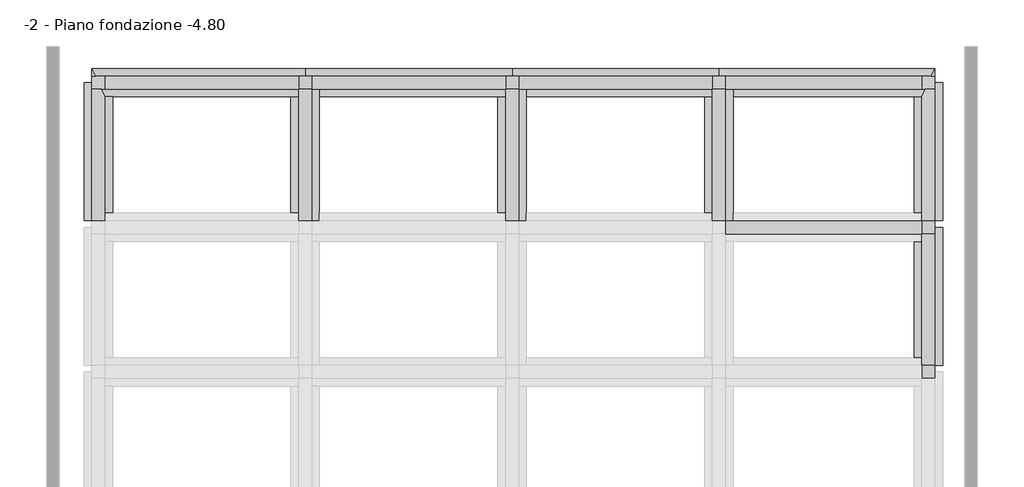
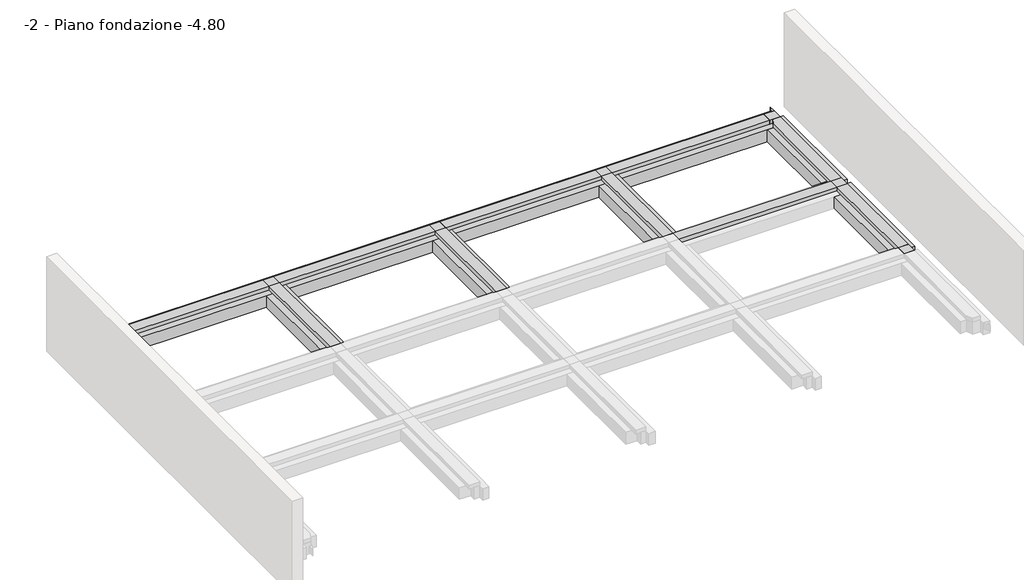
# One storey, part 3 of 3: 21 beams, 7 columns.
"""IFC4 building model written with IfcOpenShell, lengths in millimetres."""

from ifc_helpers import new_model, si_unit, frame, origin, place, context, project, spatial, polyline, outline, extrude, faceted_brep, element, save

model = new_model("IFC4")

# Units and contexts
model_context = context("Model", 3, world=origin())
ifc_project = project(units=[si_unit("LENGTHUNIT", "METRE", prefix="MILLI")], contexts=[model_context])

# Site, building, storey
site = spatial("IfcSite", under=ifc_project)
building = spatial("IfcBuilding", under=site)
storey = spatial("IfcBuildingStorey", under=building, Name="-2 - Piano fondazione -4.80", Elevation=-4800.0)

# Beams
placement = place(None, origin())
element("IfcBeam", 1, ObjectType="3M - Trave in cls - Rettangolare : 3M 1100 x600mm 2", at=placement, inside=storey, context=model_context, shape_type="Brep", body=[
    faceted_brep([(-12706.7371142, 5740.094284, -4100.0), (-20956.7371141, 5740.094284, -4100.0), (-20820.3734778, 5440.094284, -4100.0), (-20456.7371141, 5440.094284, -4100.0), (-20456.7371141, 4940.094284, -4100.0), (-20593.1007505, 4940.094284, -4100.0), (-20456.7371141, 4640.094284, -4100.0), (-20156.7371141, 4640.094284, -4100.0), (-13256.7371142, 4640.094284, -4100.0), (-12706.7371142, 4640.094284, -4100.0), (-12706.7371142, 4940.094284, -4100.0), (-12956.7371142, 4940.094284, -4100.0), (-12956.7371142, 5440.094284, -4100.0), (-12706.7371142, 5440.094284, -4100.0), (-20456.7371141, 4640.094284, -4700.0), (-20156.7371141, 4640.094284, -4700.0), (-13256.7371142, 4640.094284, -4700.0), (-12706.7371142, 4640.094284, -4700.0), (-20593.1007505, 4940.094284, -4700.0), (-20456.7371141, 4940.094284, -4700.0), (-20456.7371141, 5440.094284, -4700.0), (-20820.3734778, 5440.094284, -4700.0), (-20956.7371141, 5740.094284, -4700.0), (-12706.7371142, 5740.094284, -4700.0), (-12706.7371142, 5440.094284, -4700.0), (-12956.7371142, 5440.094284, -4700.0), (-12956.7371142, 4940.094284, -4700.0), (-12706.7371142, 4940.094284, -4700.0), (-20820.3734778, 5440.094284, -4200.0)], [[[0, 1, 2, 3, 4, 5, 6, 7, 8, 9, 10, 11, 12, 13]], [[9, 8, 7, 6, 14, 15, 16, 17]], [[17, 16, 15, 14, 18, 19, 20, 21, 22, 23, 24, 25, 26, 27]], [[1, 0, 23, 22]], [[19, 4, 3, 20]], [[4, 19, 18, 5]], [[20, 3, 2, 28, 21]], [[26, 11, 10, 27]], [[11, 26, 25, 12]], [[12, 25, 24, 13]], [[1, 22, 21, 28, 2]], [[23, 0, 13, 24]], [[14, 6, 5, 18]], [[9, 17, 27, 10]]]),
])
element("IfcBeam", 2, ObjectType="3M - Trave in cls - Rettangolare : 3M 1100 x600mm 2", at=placement, inside=storey, context=model_context, shape_type="Brep", body=[
    faceted_brep([(-4706.7371142, 5740.094284, -4100.0), (-12706.7371142, 5740.094284, -4100.0), (-12706.7371142, 5440.094284, -4100.0), (-12456.7371142, 5440.094284, -4100.0), (-12456.7371142, 5190.094284, -4100.0), (-12156.7371142, 5190.094284, -4100.0), (-12156.7371142, 4640.094284, -4100.0), (-5256.7371142, 4640.094284, -4100.0), (-4706.7371142, 4640.094284, -4100.0), (-4706.7371142, 4940.094284, -4100.0), (-4956.7371142, 4940.094284, -4100.0), (-4956.7371142, 5440.094284, -4100.0), (-4706.7371142, 5440.094284, -4100.0), (-4706.7371142, 4640.094284, -4700.0), (-12156.7371142, 4640.094284, -4700.0), (-5256.7371142, 4640.094284, -4700.0), (-12706.7371142, 5740.094284, -4700.0), (-4706.7371142, 5740.094284, -4700.0), (-4706.7371142, 5440.094284, -4700.0), (-4956.7371142, 5440.094284, -4700.0), (-4956.7371142, 4940.094284, -4700.0), (-4706.7371142, 4940.094284, -4700.0), (-12156.7371142, 5190.094284, -4700.0), (-12456.7371142, 5190.094284, -4700.0), (-12456.7371142, 5440.094284, -4700.0), (-12706.7371142, 5440.094284, -4700.0)], [[[0, 1, 2, 3, 4, 5, 6, 7, 8, 9, 10, 11, 12]], [[13, 8, 7, 6, 14, 15]], [[16, 17, 18, 19, 20, 21, 13, 15, 14, 22, 23, 24, 25]], [[1, 0, 17, 16]], [[5, 22, 14, 6]], [[20, 10, 9, 21]], [[10, 20, 19, 11]], [[11, 19, 18, 12]], [[1, 16, 25, 2]], [[17, 0, 12, 18]], [[22, 5, 4, 23]], [[8, 13, 21, 9]], [[3, 24, 23, 4]], [[24, 3, 2, 25]]]),
])
element("IfcBeam", 3, ObjectType="3M - Trave in cls - Rettangolare : 3M 1100 x600mm 2", at=placement, inside=storey, context=model_context, shape_type="Brep", body=[
    faceted_brep([(3293.2628858, 5740.094284, -4100.0), (-4706.7371142, 5740.094284, -4100.0), (-4706.7371142, 5440.094284, -4100.0), (-4456.7371142, 5440.094284, -4100.0), (-4456.7371142, 5190.094284, -4100.0), (-4156.7371142, 5190.094284, -4100.0), (-4156.7371142, 4640.094284, -4100.0), (2743.2628858, 4640.094284, -4100.0), (3293.2628858, 4640.094284, -4100.0), (3293.2628858, 4940.094284, -4100.0), (3043.2628858, 4940.094284, -4100.0), (3043.2628858, 5440.094284, -4100.0), (3293.2628858, 5440.094284, -4100.0), (3293.2628858, 4640.094284, -4700.0), (-4156.7371142, 4640.094284, -4700.0), (2743.2628858, 4640.094284, -4700.0), (-4706.7371142, 5740.094284, -4700.0), (3293.2628858, 5740.094284, -4700.0), (3293.2628858, 5440.094284, -4700.0), (3043.2628858, 5440.094284, -4700.0), (3043.2628858, 4940.094284, -4700.0), (3293.2628858, 4940.094284, -4700.0), (-4156.7371142, 5190.094284, -4700.0), (-4456.7371142, 5190.094284, -4700.0), (-4456.7371142, 5440.094284, -4700.0), (-4706.7371142, 5440.094284, -4700.0)], [[[0, 1, 2, 3, 4, 5, 6, 7, 8, 9, 10, 11, 12]], [[13, 8, 7, 6, 14, 15]], [[16, 17, 18, 19, 20, 21, 13, 15, 14, 22, 23, 24, 25]], [[1, 0, 17, 16]], [[5, 22, 14, 6]], [[20, 10, 9, 21]], [[10, 20, 19, 11]], [[11, 19, 18, 12]], [[1, 16, 25, 2]], [[17, 0, 12, 18]], [[22, 5, 4, 23]], [[8, 13, 21, 9]], [[3, 24, 23, 4]], [[24, 3, 2, 25]]]),
])
element("IfcBeam", 4, ObjectType="3M - Trave in cls - Rettangolare : 3M 1100 x600mm 2", at=placement, inside=storey, context=model_context, shape_type="Brep", body=[
    faceted_brep([(11643.2628858, 5740.094284, -4100.0), (3293.2628858, 5740.094284, -4100.0), (3293.2628858, 5440.094284, -4100.0), (3543.2628858, 5440.094284, -4100.0), (3543.2628858, 5190.094284, -4100.0), (3843.2628858, 5190.094284, -4100.0), (3843.2628858, 4640.094284, -4100.0), (10843.2628858, 4640.094284, -4100.0), (11143.2628858, 4640.094284, -4100.0), (11279.6265222, 4940.094284, -4100.0), (11143.2628858, 4940.094284, -4100.0), (11143.2628858, 5440.094284, -4100.0), (11506.8992495, 5440.094284, -4100.0), (11143.2628858, 4640.094284, -4700.0), (3843.2628858, 4640.094284, -4700.0), (10843.2628858, 4640.094284, -4700.0), (3293.2628858, 5740.094284, -4700.0), (11643.2628858, 5740.094284, -4700.0), (11506.8992495, 5440.094284, -4700.0), (11143.2628858, 5440.094284, -4700.0), (11143.2628858, 4940.094284, -4700.0), (11279.6265222, 4940.094284, -4700.0), (3843.2628858, 5190.094284, -4700.0), (3543.2628858, 5190.094284, -4700.0), (3543.2628858, 5440.094284, -4700.0), (3293.2628858, 5440.094284, -4700.0), (11506.8992495, 5440.094284, -4200.0)], [[[0, 1, 2, 3, 4, 5, 6, 7, 8, 9, 10, 11, 12]], [[13, 8, 7, 6, 14, 15]], [[16, 17, 18, 19, 20, 21, 13, 15, 14, 22, 23, 24, 25]], [[1, 0, 17, 16]], [[5, 22, 14, 6]], [[20, 10, 9, 21]], [[10, 20, 19, 11]], [[11, 19, 18, 26, 12]], [[1, 16, 25, 2]], [[8, 13, 21, 9]], [[22, 5, 4, 23]], [[17, 0, 12, 26, 18]], [[3, 24, 23, 4]], [[24, 3, 2, 25]]]),
])
element("IfcBeam", 5, ObjectType="3M - Trave in cls - Rettangolare : 3M 1100 x600mm 2", at=placement, inside=storey, context=model_context, shape_type="Brep", body=[
    faceted_brep([(-21256.7371141, -147.205716, -4100.0), (-21256.7371141, -147.205716, -4700.0), (-20706.7371141, -147.205716, -4700.0), (-20706.7371141, -147.205716, -4200.0), (-20706.7371141, -147.205716, -4100.0), (-20956.7371141, -147.205716, -4100.0), (-21256.7371141, 5190.094284, -4100.0), (-20706.7371141, 140.094284, -4100.0), (-20156.7371141, 140.094284, -4100.0), (-20156.7371141, 4640.094284, -4100.0), (-20456.7371141, 4640.094284, -4100.0), (-20593.1007505, 4940.094284, -4100.0), (-20956.7371141, 4940.094284, -4100.0), (-20956.7371141, 5190.094284, -4100.0), (-21256.7371141, 5190.094284, -4700.0), (-20956.7371141, 5190.094284, -4700.0), (-20956.7371141, 4940.094284, -4700.0), (-20593.1007505, 4940.094284, -4700.0), (-20456.7371141, 4640.094284, -4700.0), (-20156.7371141, 4640.094284, -4700.0), (-20156.7371141, 140.094284, -4700.0), (-20706.7371141, 140.094284, -4700.0)], [[[0, 1, 2, 3, 4, 5]], [[6, 0, 5, 4, 7, 8, 9, 10, 11, 12, 13]], [[1, 0, 6, 14]], [[1, 14, 15, 16, 17, 18, 19, 20, 21, 2]], [[19, 9, 8, 20]], [[10, 9, 19, 18]], [[8, 7, 21, 20]], [[14, 6, 13, 15]], [[10, 18, 17, 11]], [[21, 7, 4, 3, 2]], [[16, 12, 11, 17]], [[12, 16, 15, 13]]]),
])
element("IfcBeam", 6, ObjectType="3M - Trave in cls - Rettangolare : 3M 1100 x600mm 2", at=placement, inside=storey, context=model_context, shape_type="Brep", body=[
    faceted_brep([(-12156.7371142, -409.905716, -4100.0), (-12156.7371142, 140.094284, -4100.0), (-12156.7371142, 4640.094284, -4100.0), (-12156.7371142, 5190.094284, -4100.0), (-12456.7371142, 5190.094284, -4100.0), (-12456.7371142, 4940.094284, -4100.0), (-12706.7371142, 4940.094284, -4100.0), (-12706.7371142, 4640.094284, -4100.0), (-13256.7371142, 4640.094284, -4100.0), (-13256.7371142, 140.094284, -4100.0), (-12706.7371142, 140.094284, -4100.0), (-12706.7371142, -159.905716, -4100.0), (-12456.7371142, -159.905716, -4100.0), (-12456.7371142, -409.905716, -4100.0), (-13256.7371142, 4640.094284, -4700.0), (-13256.7371142, 140.094284, -4700.0), (-12156.7371142, 5190.094284, -4700.0), (-12156.7371142, 4640.094284, -4700.0), (-12156.7371142, 140.094284, -4700.0), (-12156.7371142, -409.905716, -4700.0), (-12456.7371142, -409.905716, -4700.0), (-12456.7371142, -159.905716, -4700.0), (-12706.7371142, -159.905716, -4700.0), (-12706.7371142, 140.094284, -4700.0), (-12706.7371142, 4640.094284, -4700.0), (-12706.7371142, 4940.094284, -4700.0), (-12456.7371142, 4940.094284, -4700.0), (-12456.7371142, 5190.094284, -4700.0)], [[[0, 1, 2, 3, 4, 5, 6, 7, 8, 9, 10, 11, 12, 13]], [[8, 14, 15, 9]], [[16, 17, 18, 19, 20, 21, 22, 23, 15, 14, 24, 25, 26, 27]], [[3, 2, 1, 0, 19, 18, 17, 16]], [[8, 7, 24, 14]], [[10, 9, 15, 23]], [[3, 16, 27, 4]], [[19, 0, 13, 20]], [[24, 7, 6, 25]], [[10, 23, 22, 11]], [[26, 5, 4, 27]], [[5, 26, 25, 6]], [[12, 21, 20, 13]], [[21, 12, 11, 22]]]),
])
element("IfcBeam", 7, ObjectType="3M - Trave in cls - Rettangolare : 3M 1100 x600mm 2", at=placement, inside=storey, context=model_context, shape_type="Brep", body=[
    faceted_brep([(-4156.7371142, -409.905716, -4100.0), (-4156.7371142, 140.094284, -4100.0), (-4156.7371142, 4640.094284, -4100.0), (-4156.7371142, 5190.094284, -4100.0), (-4456.7371142, 5190.094284, -4100.0), (-4456.7371142, 4940.094284, -4100.0), (-4706.7371142, 4940.094284, -4100.0), (-4706.7371142, 4640.094284, -4100.0), (-5256.7371142, 4640.094284, -4100.0), (-5256.7371142, 140.094284, -4100.0), (-4706.7371142, 140.094284, -4100.0), (-4706.7371142, -159.905716, -4100.0), (-4456.7371142, -159.905716, -4100.0), (-4456.7371142, -409.905716, -4100.0), (-5256.7371142, 4640.094284, -4700.0), (-5256.7371142, 140.094284, -4700.0), (-4156.7371142, 5190.094284, -4700.0), (-4156.7371142, 4640.094284, -4700.0), (-4156.7371142, 140.094284, -4700.0), (-4156.7371142, -409.905716, -4700.0), (-4456.7371142, -409.905716, -4700.0), (-4456.7371142, -159.905716, -4700.0), (-4706.7371142, -159.905716, -4700.0), (-4706.7371142, 140.094284, -4700.0), (-4706.7371142, 4640.094284, -4700.0), (-4706.7371142, 4940.094284, -4700.0), (-4456.7371142, 4940.094284, -4700.0), (-4456.7371142, 5190.094284, -4700.0)], [[[0, 1, 2, 3, 4, 5, 6, 7, 8, 9, 10, 11, 12, 13]], [[8, 14, 15, 9]], [[16, 17, 18, 19, 20, 21, 22, 23, 15, 14, 24, 25, 26, 27]], [[3, 2, 1, 0, 19, 18, 17, 16]], [[8, 7, 24, 14]], [[10, 9, 15, 23]], [[3, 16, 27, 4]], [[19, 0, 13, 20]], [[24, 7, 6, 25]], [[10, 23, 22, 11]], [[26, 5, 4, 27]], [[5, 26, 25, 6]], [[12, 21, 20, 13]], [[21, 12, 11, 22]]]),
])
element("IfcBeam", 8, ObjectType="3M - Trave in cls - Rettangolare : 3M 1100 x600mm 2", at=placement, inside=storey, context=model_context, shape_type="Brep", body=[
    faceted_brep([(3843.2628858, -409.905716, -4100.0), (3843.2628858, 140.094284, -4100.0), (3843.2628858, 4640.094284, -4100.0), (3843.2628858, 5190.094284, -4100.0), (3543.2628858, 5190.094284, -4100.0), (3543.2628858, 4940.094284, -4100.0), (3293.2628858, 4940.094284, -4100.0), (3293.2628858, 4640.094284, -4100.0), (2743.2628858, 4640.094284, -4100.0), (2743.2628858, 140.094284, -4100.0), (3293.2628858, 140.094284, -4100.0), (3293.2628858, -159.905716, -4100.0), (3543.2628858, -159.905716, -4100.0), (3543.2628858, -409.905716, -4100.0), (2743.2628858, 4640.094284, -4700.0), (2743.2628858, 140.094284, -4700.0), (3843.2628858, 5190.094284, -4700.0), (3843.2628858, 4640.094284, -4700.0), (3843.2628858, 140.094284, -4700.0), (3843.2628858, -409.905716, -4700.0), (3543.2628858, -409.905716, -4700.0), (3543.2628858, -159.905716, -4700.0), (3293.2628858, -159.905716, -4700.0), (3293.2628858, 140.094284, -4700.0), (3293.2628858, 4640.094284, -4700.0), (3293.2628858, 4940.094284, -4700.0), (3543.2628858, 4940.094284, -4700.0), (3543.2628858, 5190.094284, -4700.0)], [[[0, 1, 2, 3, 4, 5, 6, 7, 8, 9, 10, 11, 12, 13]], [[8, 14, 15, 9]], [[16, 17, 18, 19, 20, 21, 22, 23, 15, 14, 24, 25, 26, 27]], [[3, 2, 1, 0, 19, 18, 17, 16]], [[8, 7, 24, 14]], [[10, 9, 15, 23]], [[3, 16, 27, 4]], [[19, 0, 13, 20]], [[24, 7, 6, 25]], [[10, 23, 22, 11]], [[26, 5, 4, 27]], [[5, 26, 25, 6]], [[12, 21, 20, 13]], [[21, 12, 11, 22]]]),
])
element("IfcBeam", 9, ObjectType="3M - Trave in cls - Rettangolare : 3M 1100 x600mm 2", at=placement, inside=storey, context=model_context, shape_type="Brep", body=[
    faceted_brep([(11943.2628858, -147.205716, -4700.0), (11943.2628858, -147.205716, -4100.0), (11643.2628858, -147.205716, -4100.0), (11393.2628858, -147.205716, -4100.0), (11393.2628858, -147.205716, -4200.0), (11393.2628858, -147.205716, -4700.0), (11943.2628858, 5190.094284, -4100.0), (11643.2628858, 5190.094284, -4100.0), (11643.2628858, 4940.094284, -4100.0), (11279.6265222, 4940.094284, -4100.0), (11143.2628858, 4640.094284, -4100.0), (10843.2628858, 4640.094284, -4100.0), (10843.2628858, 140.094284, -4100.0), (11393.2628858, 140.094284, -4100.0), (10843.2628858, 4640.094284, -4700.0), (10843.2628858, 140.094284, -4700.0), (11943.2628858, 5190.094284, -4700.0), (11393.2628858, 140.094284, -4700.0), (11143.2628858, 4640.094284, -4700.0), (11279.6265222, 4940.094284, -4700.0), (11643.2628858, 4940.094284, -4700.0), (11643.2628858, 5190.094284, -4700.0)], [[[0, 1, 2, 3, 4, 5]], [[1, 6, 7, 8, 9, 10, 11, 12, 13, 3, 2]], [[11, 14, 15, 12]], [[16, 0, 5, 17, 15, 14, 18, 19, 20, 21]], [[1, 0, 16, 6]], [[11, 10, 18, 14]], [[13, 12, 15, 17]], [[6, 16, 21, 7]], [[18, 10, 9, 19]], [[13, 17, 5, 4, 3]], [[20, 8, 7, 21]], [[8, 20, 19, 9]]]),
])
element("IfcBeam", 10, ObjectType="3M - Trave in cls - Rettangolare : 3M 1100 x600mm 2", at=placement, inside=storey, context=model_context, shape_type="Brep", body=[
    faceted_brep([(11943.2628858, -5747.205716, -4700.0), (11943.2628858, -5747.205716, -4100.0), (11643.2628858, -5747.205716, -4100.0), (11393.2628858, -5747.205716, -4100.0), (11393.2628858, -5747.205716, -4200.0), (11393.2628858, -5747.205716, -4700.0), (11943.2628858, -409.905716, -4100.0), (11643.2628858, -409.905716, -4100.0), (11643.2628858, -659.905716, -4100.0), (11393.2628858, -659.905716, -4100.0), (11393.2628858, -959.905716, -4100.0), (10843.2628858, -959.905716, -4100.0), (10843.2628858, -5459.905716, -4100.0), (11393.2628858, -5459.905716, -4100.0), (10843.2628858, -959.905716, -4700.0), (10843.2628858, -5459.905716, -4700.0), (11943.2628858, -409.905716, -4700.0), (11393.2628858, -5459.905716, -4700.0), (11393.2628858, -959.905716, -4700.0), (11393.2628858, -659.905716, -4700.0), (11643.2628858, -659.905716, -4700.0), (11643.2628858, -409.905716, -4700.0)], [[[0, 1, 2, 3, 4, 5]], [[1, 6, 7, 8, 9, 10, 11, 12, 13, 3, 2]], [[11, 14, 15, 12]], [[16, 0, 5, 17, 15, 14, 18, 19, 20, 21]], [[1, 0, 16, 6]], [[11, 10, 18, 14]], [[13, 12, 15, 17]], [[6, 16, 21, 7]], [[18, 10, 9, 19]], [[13, 17, 5, 4, 3]], [[20, 8, 7, 21]], [[8, 20, 19, 9]]]),
])
element("IfcBeam", 11, ObjectType="3M - Trave in cls - Rettangolare : 3M 500 x600mm", at=placement, inside=storey, context=model_context, shape_type="SweptSolid", body=[
    extrude(outline(polyline([(-20456.7371141, 4940.094284), (-20456.7371141, 5440.094284), (-12956.7371142, 5440.094284), (-12956.7371142, 4940.094284), (-20456.7371141, 4940.094284)])), frame((0.0, 0.0, -4100.0), z_axis=(0.0, 0.0, 1.0), x_axis=(1.0, 0.0, 0.0)), (0.0, 0.0, 1.0), 200.0),
])
element("IfcBeam", 12, ObjectType="3M - Trave in cls - Rettangolare : 3M 500 x600mm", at=placement, inside=storey, context=model_context, shape_type="Brep", body=[
    faceted_brep([(-12456.7371142, 4940.094284, -4100.0), (-4956.7371142, 4940.094284, -4100.0), (-4956.7371142, 4940.094284, -3900.0), (-12456.7371142, 4940.094284, -3900.0), (-4956.7371142, 5440.094284, -4100.0), (-12456.7371142, 5440.094284, -4100.0), (-12456.7371142, 5440.094284, -3900.0), (-4956.7371142, 5440.094284, -3900.0), (-12456.7371142, 5190.094284, -4100.0)], [[[0, 1, 2, 3]], [[4, 5, 6, 7]], [[5, 8, 0, 3, 6]], [[0, 8, 5, 4, 1]], [[1, 4, 7, 2]], [[3, 2, 7, 6]]]),
])
element("IfcBeam", 13, ObjectType="3M - Trave in cls - Rettangolare : 3M 500 x600mm", at=placement, inside=storey, context=model_context, shape_type="Brep", body=[
    faceted_brep([(-4456.7371142, 4940.094284, -4100.0), (3043.2628858, 4940.094284, -4100.0), (3043.2628858, 4940.094284, -3900.0), (-4456.7371142, 4940.094284, -3900.0), (3043.2628858, 5440.094284, -4100.0), (-4456.7371142, 5440.094284, -4100.0), (-4456.7371142, 5440.094284, -3900.0), (3043.2628858, 5440.094284, -3900.0), (-4456.7371142, 5190.094284, -4100.0)], [[[0, 1, 2, 3]], [[4, 5, 6, 7]], [[5, 8, 0, 3, 6]], [[0, 8, 5, 4, 1]], [[1, 4, 7, 2]], [[3, 2, 7, 6]]]),
])
element("IfcBeam", 14, ObjectType="3M - Trave in cls - Rettangolare : 3M 500 x600mm", at=placement, inside=storey, context=model_context, shape_type="Brep", body=[
    faceted_brep([(3543.2628858, 4940.094284, -4100.0), (11143.2628858, 4940.094284, -4100.0), (11143.2628858, 4940.094284, -3900.0), (3543.2628858, 4940.094284, -3900.0), (11143.2628858, 5440.094284, -4100.0), (3543.2628858, 5440.094284, -4100.0), (3543.2628858, 5440.094284, -3900.0), (11143.2628858, 5440.094284, -3900.0), (3543.2628858, 5190.094284, -4100.0)], [[[0, 1, 2, 3]], [[4, 5, 6, 7]], [[5, 8, 0, 3, 6]], [[0, 8, 5, 4, 1]], [[1, 4, 7, 2]], [[3, 2, 7, 6]]]),
])
element("IfcBeam", 15, ObjectType="3M - Trave in cls - Rettangolare : 3M 500 x600mm", at=placement, inside=storey, context=model_context, shape_type="Brep", body=[
    faceted_brep([(3543.2628858, -659.905716, -4100.0), (11143.2628858, -659.905716, -4100.0), (11143.2628858, -659.905716, -3900.0), (3543.2628858, -659.905716, -3900.0), (11143.2628858, -159.905716, -4100.0), (3543.2628858, -159.905716, -4100.0), (3543.2628858, -159.905716, -3900.0), (11143.2628858, -159.905716, -3900.0), (3543.2628858, -409.905716, -4100.0)], [[[0, 1, 2, 3]], [[4, 5, 6, 7]], [[5, 8, 0, 3, 6]], [[0, 8, 5, 4, 1]], [[1, 4, 7, 2]], [[3, 2, 7, 6]]]),
])
element("IfcBeam", 16, ObjectType="3M - Trave in cls - Rettangolare : 3M 500 x600mm", at=placement, inside=storey, context=model_context, shape_type="Brep", body=[
    faceted_brep([(-20956.7371141, 5740.094284, -4200.0), (-20956.7371141, 5440.094284, -4200.0), (-20956.7371141, 5440.094284, -3900.0), (-20956.7371141, 5740.094284, -3900.0), (-20956.7371141, 5740.094284, -4100.0), (-20820.3734778, 5440.094284, -4200.0), (-20820.3734778, 5440.094284, -3900.0), (-20820.3734778, 5440.094284, -4100.0)], [[[0, 1, 2, 3, 4]], [[1, 0, 5]], [[5, 0, 4, 3, 6, 7]], [[1, 5, 7, 6, 2]], [[3, 2, 6]]]),
    faceted_brep([(-20456.7371141, -159.905716, -4100.0), (-20456.7371141, 4640.094284, -4100.0), (-20456.7371141, 4640.094284, -3900.0), (-20456.7371141, -159.905716, -3900.0), (-20593.1007505, 4940.094284, -4100.0), (-20956.7371141, 4940.094284, -4100.0), (-20956.7371141, 4940.094284, -3900.0), (-20593.1007505, 4940.094284, -3900.0), (-20956.7371141, -147.205716, -4100.0), (-20956.7371141, -147.205716, -4200.0), (-20956.7371141, -159.905716, -4200.0), (-20956.7371141, -159.905716, -3900.0), (-20706.7371141, -147.205716, -4200.0), (-20706.7371141, -159.905716, -4200.0), (-20706.7371141, -147.205716, -4100.0), (-20706.7371141, -159.905716, -4100.0)], [[[0, 1, 2, 3]], [[4, 5, 6, 7]], [[8, 9, 10, 11, 6, 5]], [[10, 9, 12, 13]], [[1, 4, 7, 2]], [[9, 8, 14, 12]], [[5, 4, 1, 0, 15, 14, 8]], [[10, 13, 15, 0, 3, 11]], [[14, 15, 13, 12]], [[3, 2, 7, 6, 11]]]),
])
element("IfcBeam", 17, ObjectType="3M - Trave in cls - Rettangolare : 3M 500 x600mm", at=placement, inside=storey, context=model_context, shape_type="Brep", body=[
    faceted_brep([(-12956.7371142, 4940.094284, -4100.0), (-12956.7371142, -159.905716, -4100.0), (-12956.7371142, -159.905716, -3900.0), (-12956.7371142, 4940.094284, -3900.0), (-12456.7371142, -159.905716, -4100.0), (-12456.7371142, 4940.094284, -4100.0), (-12456.7371142, 4940.094284, -3900.0), (-12456.7371142, -159.905716, -3900.0), (-12706.7371142, 4940.094284, -4100.0), (-12706.7371142, -159.905716, -4100.0)], [[[0, 1, 2, 3]], [[4, 5, 6, 7]], [[5, 8, 0, 3, 6]], [[0, 8, 5, 4, 9, 1]], [[1, 9, 4, 7, 2]], [[3, 2, 7, 6]]]),
])
element("IfcBeam", 18, ObjectType="3M - Trave in cls - Rettangolare : 3M 500 x600mm", at=placement, inside=storey, context=model_context, shape_type="Brep", body=[
    faceted_brep([(-4956.7371142, 4940.094284, -4100.0), (-4956.7371142, -159.905716, -4100.0), (-4956.7371142, -159.905716, -3900.0), (-4956.7371142, 4940.094284, -3900.0), (-4456.7371142, -159.905716, -4100.0), (-4456.7371142, 4940.094284, -4100.0), (-4456.7371142, 4940.094284, -3900.0), (-4456.7371142, -159.905716, -3900.0), (-4706.7371142, 4940.094284, -4100.0), (-4706.7371142, -159.905716, -4100.0)], [[[0, 1, 2, 3]], [[4, 5, 6, 7]], [[5, 8, 0, 3, 6]], [[0, 8, 5, 4, 9, 1]], [[1, 9, 4, 7, 2]], [[3, 2, 7, 6]]]),
])
element("IfcBeam", 19, ObjectType="3M - Trave in cls - Rettangolare : 3M 500 x600mm", at=placement, inside=storey, context=model_context, shape_type="Brep", body=[
    faceted_brep([(3043.2628858, 4940.094284, -4100.0), (3043.2628858, -159.905716, -4100.0), (3043.2628858, -159.905716, -3900.0), (3043.2628858, 4940.094284, -3900.0), (3543.2628858, -159.905716, -4100.0), (3543.2628858, 4940.094284, -4100.0), (3543.2628858, 4940.094284, -3900.0), (3543.2628858, -159.905716, -3900.0), (3293.2628858, 4940.094284, -4100.0), (3293.2628858, -159.905716, -4100.0)], [[[0, 1, 2, 3]], [[4, 5, 6, 7]], [[5, 8, 0, 3, 6]], [[0, 8, 5, 4, 9, 1]], [[1, 9, 4, 7, 2]], [[3, 2, 7, 6]]]),
])
element("IfcBeam", 20, ObjectType="3M - Trave in cls - Rettangolare : 3M 500 x600mm", at=placement, inside=storey, context=model_context, shape_type="Brep", body=[
    faceted_brep([(11143.2628858, 4640.094284, -4100.0), (11143.2628858, -159.905716, -4100.0), (11143.2628858, -159.905716, -3900.0), (11143.2628858, 4640.094284, -3900.0), (11643.2628858, -147.205716, -4200.0), (11643.2628858, -159.905716, -4200.0), (11393.2628858, -159.905716, -4200.0), (11393.2628858, -147.205716, -4200.0), (11279.6265222, 4940.094284, -4100.0), (11279.6265222, 4940.094284, -3900.0), (11643.2628858, 4940.094284, -4100.0), (11643.2628858, 4940.094284, -3900.0), (11643.2628858, -147.205716, -4100.0), (11643.2628858, -159.905716, -3900.0), (11393.2628858, -147.205716, -4100.0), (11393.2628858, -159.905716, -4100.0)], [[[0, 1, 2, 3]], [[4, 5, 6, 7]], [[8, 0, 3, 9]], [[10, 8, 9, 11]], [[4, 12, 10, 11, 13, 5]], [[12, 4, 7, 14]], [[0, 8, 10, 12, 14, 15, 1]], [[6, 5, 13, 2, 1, 15]], [[15, 14, 7, 6]], [[3, 2, 13, 11, 9]]]),
    faceted_brep([(11643.2628858, 5440.094284, -4200.0), (11643.2628858, 5740.094284, -4200.0), (11643.2628858, 5740.094284, -4100.0), (11643.2628858, 5740.094284, -3900.0), (11643.2628858, 5440.094284, -3900.0), (11506.8992495, 5440.094284, -4200.0), (11506.8992495, 5440.094284, -3900.0), (11506.8992495, 5440.094284, -4100.0)], [[[0, 1, 2, 3, 4]], [[5, 0, 4, 6, 7]], [[5, 1, 0]], [[1, 5, 7, 6, 3, 2]], [[4, 3, 6]]]),
])
element("IfcBeam", 21, ObjectType="3M - Trave in cls - Rettangolare : 3M 500 x600mm", at=placement, inside=storey, context=model_context, shape_type="Brep", body=[
    faceted_brep([(11143.2628858, -659.905716, -4100.0), (11143.2628858, -5759.905716, -4100.0), (11143.2628858, -5759.905716, -3900.0), (11143.2628858, -659.905716, -3900.0), (11643.2628858, -5747.205716, -4200.0), (11643.2628858, -5759.905716, -4200.0), (11393.2628858, -5759.905716, -4200.0), (11393.2628858, -5747.205716, -4200.0), (11643.2628858, -5747.205716, -4100.0), (11643.2628858, -659.905716, -4100.0), (11643.2628858, -659.905716, -3900.0), (11643.2628858, -5759.905716, -3900.0), (11393.2628858, -659.905716, -4100.0), (11393.2628858, -5747.205716, -4100.0), (11393.2628858, -5759.905716, -4100.0)], [[[0, 1, 2, 3]], [[4, 5, 6, 7]], [[4, 8, 9, 10, 11, 5]], [[9, 12, 0, 3, 10]], [[8, 4, 7, 13]], [[9, 8, 13, 14, 1, 0, 12]], [[6, 5, 11, 2, 1, 14]], [[14, 13, 7, 6]], [[3, 2, 11, 10]]]),
])

# Columns
element("IfcColumn", 22, ObjectType="3M - Pilastro in cemento - Rettangolare : 50x50", at=placement, inside=storey, context=model_context, shape_type="Brep", body=[
    faceted_brep([(-20456.7371141, 5440.094284, -4800.0), (-20456.7371141, 4940.094284, -4800.0), (-20956.7371141, 4940.094284, -4800.0), (-20956.7371141, 5440.094284, -4800.0), (-20456.7371141, 5440.094284, -4700.0), (-20456.7371141, 5440.094284, -4100.0), (-20456.7371141, 5440.094284, -3900.0), (-20456.7371141, 4940.094284, -3900.0), (-20456.7371141, 4940.094284, -4100.0), (-20456.7371141, 4940.094284, -4700.0), (-20956.7371141, 4940.094284, -3900.0), (-20956.7371141, 4940.094284, -4100.0), (-20956.7371141, 4940.094284, -4700.0), (-20956.7371141, 5440.094284, -3900.0)], [[[0, 1, 2, 3]], [[1, 0, 4, 5, 6, 7, 8, 9]], [[2, 1, 9, 8, 7, 10, 11, 12]], [[3, 2, 12, 11, 10, 13]], [[0, 3, 13, 6, 5, 4]], [[7, 6, 13, 10]]]),
])
element("IfcColumn", 23, ObjectType="3M - Pilastro in cemento - Rettangolare : 50x50", at=placement, inside=storey, context=model_context, shape_type="Brep", body=[
    faceted_brep([(-12456.7371142, 5440.094284, -4800.0), (-12456.7371142, 4940.094284, -4800.0), (-12956.7371142, 4940.094284, -4800.0), (-12956.7371142, 5440.094284, -4800.0), (-12456.7371142, 5440.094284, -4700.0), (-12456.7371142, 5440.094284, -4100.0), (-12456.7371142, 5440.094284, -3900.0), (-12456.7371142, 4940.094284, -3900.0), (-12456.7371142, 4940.094284, -4100.0), (-12456.7371142, 4940.094284, -4700.0), (-12956.7371142, 4940.094284, -3900.0), (-12956.7371142, 4940.094284, -4100.0), (-12956.7371142, 4940.094284, -4700.0), (-12956.7371142, 5440.094284, -3900.0), (-12956.7371142, 5440.094284, -4100.0), (-12956.7371142, 5440.094284, -4700.0)], [[[0, 1, 2, 3]], [[1, 0, 4, 5, 6, 7, 8, 9]], [[2, 1, 9, 8, 7, 10, 11, 12]], [[3, 2, 12, 11, 10, 13, 14, 15]], [[0, 3, 15, 14, 13, 6, 5, 4]], [[7, 6, 13, 10]]]),
])
element("IfcColumn", 24, ObjectType="3M - Pilastro in cemento - Rettangolare : 50x50", at=placement, inside=storey, context=model_context, shape_type="Brep", body=[
    faceted_brep([(-4456.7371142, 5440.094284, -4800.0), (-4456.7371142, 4940.094284, -4800.0), (-4956.7371142, 4940.094284, -4800.0), (-4956.7371142, 5440.094284, -4800.0), (-4456.7371142, 5440.094284, -4700.0), (-4456.7371142, 5440.094284, -4100.0), (-4456.7371142, 5440.094284, -3900.0), (-4456.7371142, 4940.094284, -3900.0), (-4456.7371142, 4940.094284, -4100.0), (-4456.7371142, 4940.094284, -4700.0), (-4956.7371142, 4940.094284, -3900.0), (-4956.7371142, 4940.094284, -4100.0), (-4956.7371142, 4940.094284, -4700.0), (-4956.7371142, 5440.094284, -3900.0), (-4956.7371142, 5440.094284, -4100.0), (-4956.7371142, 5440.094284, -4700.0)], [[[0, 1, 2, 3]], [[1, 0, 4, 5, 6, 7, 8, 9]], [[2, 1, 9, 8, 7, 10, 11, 12]], [[3, 2, 12, 11, 10, 13, 14, 15]], [[0, 3, 15, 14, 13, 6, 5, 4]], [[7, 6, 13, 10]]]),
])
element("IfcColumn", 25, ObjectType="3M - Pilastro in cemento - Rettangolare : 50x50", at=placement, inside=storey, context=model_context, shape_type="Brep", body=[
    faceted_brep([(3543.2628858, 5440.094284, -4800.0), (3543.2628858, 4940.094284, -4800.0), (3043.2628858, 4940.094284, -4800.0), (3043.2628858, 5440.094284, -4800.0), (3543.2628858, 5440.094284, -4700.0), (3543.2628858, 5440.094284, -4100.0), (3543.2628858, 5440.094284, -3900.0), (3543.2628858, 4940.094284, -3900.0), (3543.2628858, 4940.094284, -4100.0), (3543.2628858, 4940.094284, -4700.0), (3043.2628858, 4940.094284, -3900.0), (3043.2628858, 4940.094284, -4100.0), (3043.2628858, 4940.094284, -4700.0), (3043.2628858, 5440.094284, -3900.0), (3043.2628858, 5440.094284, -4100.0), (3043.2628858, 5440.094284, -4700.0)], [[[0, 1, 2, 3]], [[1, 0, 4, 5, 6, 7, 8, 9]], [[2, 1, 9, 8, 7, 10, 11, 12]], [[3, 2, 12, 11, 10, 13, 14, 15]], [[0, 3, 15, 14, 13, 6, 5, 4]], [[7, 6, 13, 10]]]),
])
element("IfcColumn", 26, ObjectType="3M - Pilastro in cemento - Rettangolare : 50x50", at=placement, inside=storey, context=model_context, shape_type="Brep", body=[
    faceted_brep([(11643.2628858, 5440.094284, -4800.0), (11643.2628858, 4940.094284, -4800.0), (11143.2628858, 4940.094284, -4800.0), (11143.2628858, 5440.094284, -4800.0), (11643.2628858, 5440.094284, -3900.0), (11643.2628858, 4940.094284, -3900.0), (11643.2628858, 4940.094284, -4100.0), (11643.2628858, 4940.094284, -4700.0), (11143.2628858, 4940.094284, -3900.0), (11143.2628858, 4940.094284, -4100.0), (11143.2628858, 4940.094284, -4700.0), (11143.2628858, 5440.094284, -3900.0), (11143.2628858, 5440.094284, -4100.0), (11143.2628858, 5440.094284, -4700.0)], [[[0, 1, 2, 3]], [[1, 0, 4, 5, 6, 7]], [[2, 1, 7, 6, 5, 8, 9, 10]], [[3, 2, 10, 9, 8, 11, 12, 13]], [[0, 3, 13, 12, 11, 4]], [[5, 4, 11, 8]]]),
])
element("IfcColumn", 27, ObjectType="3M - Pilastro in cemento - Rettangolare : 50x50", at=placement, inside=storey, context=model_context, shape_type="Brep", body=[
    faceted_brep([(11643.2628858, -159.905716, -4800.0), (11643.2628858, -659.905716, -4800.0), (11143.2628858, -659.905716, -4800.0), (11143.2628858, -159.905716, -4800.0), (11643.2628858, -159.905716, -3900.0), (11643.2628858, -659.905716, -3900.0), (11643.2628858, -659.905716, -4100.0), (11643.2628858, -659.905716, -4700.0), (11143.2628858, -659.905716, -3900.0), (11143.2628858, -659.905716, -4100.0), (11143.2628858, -659.905716, -4700.0), (11143.2628858, -159.905716, -3900.0), (11143.2628858, -159.905716, -4100.0), (11143.2628858, -159.905716, -4700.0)], [[[0, 1, 2, 3]], [[1, 0, 4, 5, 6, 7]], [[2, 1, 7, 6, 5, 8, 9, 10]], [[3, 2, 10, 9, 8, 11, 12, 13]], [[0, 3, 13, 12, 11, 4]], [[5, 4, 11, 8]]]),
])
element("IfcColumn", 28, ObjectType="3M - Pilastro in cemento - Rettangolare : 50x50", at=placement, inside=storey, context=model_context, shape_type="Brep", body=[
    faceted_brep([(11643.2628858, -5759.905716, -4800.0), (11643.2628858, -6259.905716, -4800.0), (11143.2628858, -6259.905716, -4800.0), (11143.2628858, -5759.905716, -4800.0), (11643.2628858, -5759.905716, -3900.0), (11643.2628858, -6259.905716, -3900.0), (11643.2628858, -6259.905716, -4100.0), (11643.2628858, -6259.905716, -4700.0), (11143.2628858, -6259.905716, -3900.0), (11143.2628858, -6259.905716, -4100.0), (11143.2628858, -6259.905716, -4700.0), (11143.2628858, -5759.905716, -3900.0), (11143.2628858, -5759.905716, -4100.0), (11143.2628858, -5759.905716, -4700.0)], [[[0, 1, 2, 3]], [[1, 0, 4, 5, 6, 7]], [[2, 1, 7, 6, 5, 8, 9, 10]], [[3, 2, 10, 9, 8, 11, 12, 13]], [[0, 3, 13, 12, 11, 4]], [[5, 4, 11, 8]]]),
])

save(model, "model.ifc")
